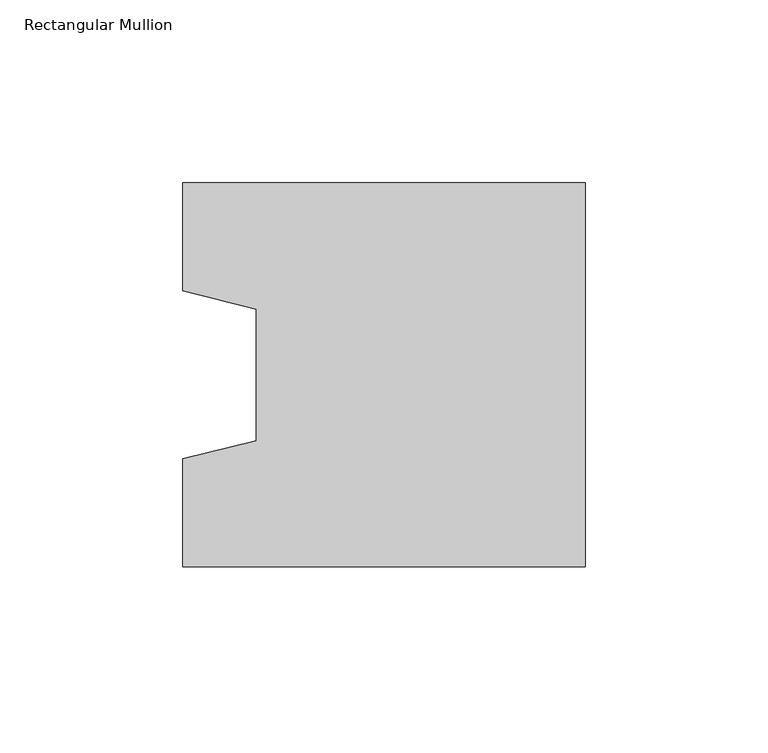
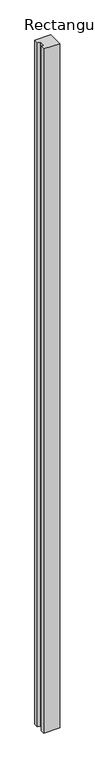
"""IFC4 building model written with IfcOpenShell, lengths in millimetres: column geometry, Rectangular Mullion."""

import ifcopenshell
import ifcopenshell.guid

model = None  # the IFC model being written
_history = None  # IfcOwnerHistory: only IFC2X3 demands one
_inside = {}  # id of a spatial element -> (the spatial element, [elements in it])
_under = {}  # id of a project, library or spatial element -> (it, [spatial elements below it])
_declared = {}  # id of a project -> (the project, [libraries it declares])
_typed = {}  # id of a type object -> (the type object, [elements of that type])
_made_of = {}  # id of a material, layer set ... -> (it, [elements and type objects made of it])


def new_model(schema):
    """Start an empty IFC model of exactly this schema.

    Asked for "IFC4X3", IfcOpenShell would pick the latest addendum, in which some entities
    have other attributes; the version numbers below select the first issue.
    IFC2X3 requires an IfcOwnerHistory on every rooted entity: one is made here for all.
    """
    global model, _history
    if schema == "IFC4X3":
        model = ifcopenshell.file(schema_version=(4, 3, 0, 0))
    else:
        model = ifcopenshell.file(schema=schema)
    _inside.clear()
    _under.clear()
    _declared.clear()
    _typed.clear()
    _made_of.clear()
    _history = None
    if model.schema == "IFC2X3":
        org = make("IfcOrganization", Name="unknown")
        user = make(
            "IfcPersonAndOrganization",
            ThePerson=make("IfcPerson", FamilyName="unknown"),
            TheOrganization=org,
        )
        app = make(
            "IfcApplication",
            ApplicationDeveloper=org,
            Version="unknown",
            ApplicationFullName="unknown",
            ApplicationIdentifier="unknown",
        )
        _history = make(
            "IfcOwnerHistory",
            OwningUser=user,
            OwningApplication=app,
            ChangeAction="ADDED",
            CreationDate=0,
        )
    return model


def make(cls, **values):
    """One entity of the class cls with the attributes given. An attribute that is None is left unset."""
    return model.create_entity(
        cls, **{name: value for name, value in values.items() if value is not None}
    )


def rooted(cls, **values):
    """An entity with a GlobalId (a new one), such as an element, a storey or a relation."""
    return make(cls, GlobalId=ifcopenshell.guid.new(), OwnerHistory=_history, **values)


def si_unit(unit_type, name, prefix=None):
    """IfcSIUnit, for example si_unit("LENGTHUNIT", "METRE", prefix="MILLI")."""
    return make("IfcSIUnit", UnitType=unit_type, Prefix=prefix, Name=name)


def assignment(units):
    """IfcUnitAssignment: the units of a project."""
    return None if units is None else make("IfcUnitAssignment", Units=units)


def point(xyz):
    """IfcCartesianPoint."""
    return None if xyz is None else make("IfcCartesianPoint", Coordinates=xyz)


def direction(xyz):
    """IfcDirection."""
    return None if xyz is None else make("IfcDirection", DirectionRatios=xyz)


def frame(location, z_axis=None, x_axis=None):
    """IfcAxis2Placement3D, a coordinate frame: its origin and axes. An axis left out is left unset."""
    return make(
        "IfcAxis2Placement3D",
        Location=point(location),
        Axis=direction(z_axis),
        RefDirection=direction(x_axis),
    )


def origin():
    """The frame at (0, 0, 0) with its axes left unset."""
    return frame((0.0, 0.0, 0.0))


def place(relative_to, where):
    """IfcLocalPlacement: puts the frame where relative to a parent placement (None: the world)."""
    return make(
        "IfcLocalPlacement", PlacementRelTo=relative_to, RelativePlacement=where
    )


def context(
    kind, dimensions, precision=None, world=None, true_north=None, identifier=None
):
    """IfcGeometricRepresentationContext, for example the 3D "Model" context."""
    return make(
        "IfcGeometricRepresentationContext",
        ContextIdentifier=identifier,
        ContextType=kind,
        CoordinateSpaceDimension=dimensions,
        Precision=precision,
        WorldCoordinateSystem=world,
        TrueNorth=true_north,
    )


def project(units=None, contexts=None):
    """IfcProject with its units and contexts."""
    return rooted(
        "IfcProject",
        Name="project",
        RepresentationContexts=contexts,
        UnitsInContext=assignment(units),
    )


def spatial(cls, under=None, at=None, **own):
    """A site, building, storey or space (cls), placed at a placement, below another one or the project."""
    s = rooted(cls, ObjectPlacement=at, **own)
    if under is not None:
        _under.setdefault(under.id(), (under, []))[1].append(s)
    return s


def polyline(points):
    """IfcPolyline through the points."""
    return make("IfcPolyline", Points=[point(p) for p in points])


def outline(outer, holes=None, kind="AREA"):
    """IfcArbitraryClosedProfileDef: a profile drawn as a closed curve; with holes, ...WithVoids."""
    if holes is None:
        return make("IfcArbitraryClosedProfileDef", ProfileType=kind, OuterCurve=outer)
    return make(
        "IfcArbitraryProfileDefWithVoids",
        ProfileType=kind,
        OuterCurve=outer,
        InnerCurves=holes,
    )


def extrude(swept, where, along, depth):
    """IfcExtrudedAreaSolid: the profile swept, set in the frame where, extruded along a direction by depth."""
    return make(
        "IfcExtrudedAreaSolid",
        SweptArea=swept,
        Position=where,
        ExtrudedDirection=direction(along),
        Depth=depth,
    )


def shape(context_of_items, identifier, shape_type, items):
    """IfcShapeRepresentation: the items that make up one representation, for example the "Body"."""
    return make(
        "IfcShapeRepresentation",
        ContextOfItems=context_of_items,
        RepresentationIdentifier=identifier,
        RepresentationType=shape_type,
        Items=items,
    )


def source(mapping_origin, context_of_items, identifier, shape_type, items):
    """IfcRepresentationMap: a shape defined once, which mapped items show again and again."""
    return make(
        "IfcRepresentationMap",
        MappingOrigin=mapping_origin,
        MappedRepresentation=shape(context_of_items, identifier, shape_type, items),
    )


def transform(
    local_origin,
    x_axis=None,
    y_axis=None,
    z_axis=None,
    scale=None,
    scale2=None,
    scale3=None,
    uniform=True,
):
    """IfcCartesianTransformationOperator3D, or its non-uniform kind. x_axis, y_axis, z_axis: its Axis1, 2, 3."""
    if uniform:
        return make(
            "IfcCartesianTransformationOperator3D",
            Axis1=direction(x_axis),
            Axis2=direction(y_axis),
            LocalOrigin=point(local_origin),
            Scale=scale,
            Axis3=direction(z_axis),
        )
    return make(
        "IfcCartesianTransformationOperator3DnonUniform",
        Axis1=direction(x_axis),
        Axis2=direction(y_axis),
        LocalOrigin=point(local_origin),
        Scale=scale,
        Axis3=direction(z_axis),
        Scale2=scale2,
        Scale3=scale3,
    )


def mapped(mapping_source, mapping_target):
    """IfcMappedItem: shows the shape of a source again, moved by a transform."""
    return make(
        "IfcMappedItem", MappingSource=mapping_source, MappingTarget=mapping_target
    )


def made_of(thing, what):
    """Note that an element or type object is made of a material, layer set ...; save() writes the relation."""
    if what is not None:
        _made_of.setdefault(what.id(), (what, []))[1].append(thing)
    return thing


def element(
    cls,
    number,
    at=None,
    inside=None,
    cuts=None,
    type_object=None,
    material=None,
    context=None,
    identifier="Body",
    shape_type=None,
    held_by="IfcProductDefinitionShape",
    body=None,
    shapes=None,
    **own,
):
    """One element of the class cls, such as IfcWall. Its Tag is "e" and its number.

    at: its placement. inside: the storey or other place that contains it. cuts: it is an
    opening in that element (IfcRelVoidsElement). A single representation is given by context,
    identifier, shape_type and body (its items); several are given by shapes. held_by: the class
    of the entity that holds the representations. save() writes the other relations.
    """
    e = rooted(cls, Tag="e%d" % number, ObjectPlacement=at, **own)
    if body is not None:
        shapes = [shape(context, identifier, shape_type, body)]
    if shapes is not None:
        e.Representation = make(held_by, Representations=shapes)
    if inside is not None:
        _inside.setdefault(inside.id(), (inside, []))[1].append(e)
    if cuts is not None:
        rooted(
            "IfcRelVoidsElement", RelatingBuildingElement=cuts, RelatedOpeningElement=e
        )
    if type_object is not None:
        _typed.setdefault(type_object.id(), (type_object, []))[1].append(e)
    return made_of(e, material)


def aggregate(whole, parts):
    """IfcRelAggregates: a whole, such as a stair, and the parts it consists of."""
    return rooted("IfcRelAggregates", RelatingObject=whole, RelatedObjects=parts)


def save(model, path):
    """Write the relations noted so far, then the file.

    IfcRelAggregates (storeys below a building ...), IfcRelContainedInSpatialStructure (elements
    in a storey), IfcRelDefinesByType, IfcRelAssociatesMaterial and IfcRelDeclares: one each for
    every whole, place, type object, material and project.
    """
    for whole, parts in _under.values():
        aggregate(whole, parts)
    for where, things in _inside.values():
        rooted(
            "IfcRelContainedInSpatialStructure",
            RelatedElements=things,
            RelatingStructure=where,
        )
    for kind, things in _typed.values():
        rooted("IfcRelDefinesByType", RelatedObjects=things, RelatingType=kind)
    for what, things in _made_of.values():
        rooted("IfcRelAssociatesMaterial", RelatedObjects=things, RelatingMaterial=what)
    for by, libraries in _declared.values():
        rooted("IfcRelDeclares", RelatingContext=by, RelatedDefinitions=libraries)
    model.write(path)


def rectangular_mullion_09a865d1(model_context):
    return source(origin(), model_context, "Body", "SweptSolid", [
        extrude(outline(polyline([(-110.0, -52.5), (-110.0, -23.0), (-90.0, -18.0), (-90.0, 18.0), (-110.0, 23.0), (-110.0, 52.5), (0.0, 52.5), (0.0, -52.5), (-110.0, -52.5)])), frame((0.0, 0.0, -5000.0), z_axis=(0.0, 0.0, 1.0), x_axis=(1.0, 0.0, 0.0)), (0.0, 0.0, 1.0), 5000.0),
    ])


if __name__ == "__main__":
    model = new_model("IFC4")
    model_context = context("Model", 3, world=origin())
    ifc_project = project(units=[si_unit("LENGTHUNIT", "METRE", prefix="MILLI")], contexts=[model_context])
    site = spatial("IfcSite", under=ifc_project)
    building = spatial("IfcBuilding", under=site)
    placement = place(None, origin())
    rectangular_mullion_shape = rectangular_mullion_09a865d1(model_context)
    element("IfcColumn", 1, ObjectType="Rectangular Mullion", at=placement, inside=building, context=model_context, shape_type="MappedRepresentation", body=[
        mapped(rectangular_mullion_shape, transform((0.0, 0.0, 0.0), x_axis=(1.0, 0.0, 0.0), y_axis=(0.0, 1.0, 0.0), z_axis=(0.0, 0.0, 1.0))),
    ])
    save(model, "model.ifc")
